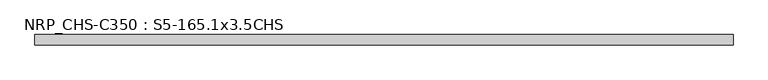
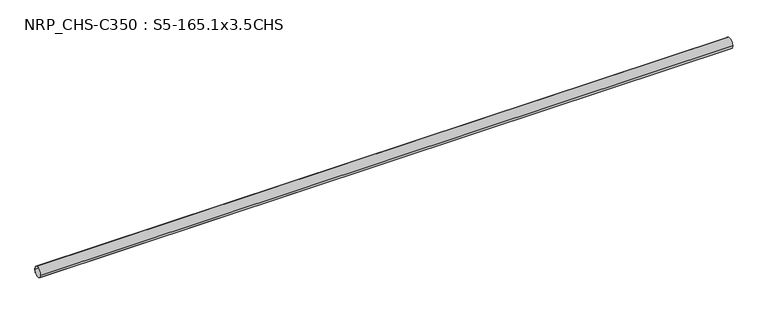
"""IFC4 building model written with IfcOpenShell, lengths in millimetres: beam geometry, NRP_CHS-C350 : S5-165.1x3.5CHS."""

from ifc_helpers import new_model, si_unit, point, frame, origin, origin_2d, place, context, project, spatial, circle_curve, trimmed, segment, composite_curve, outline, extrude, source, transform, mapped, element, save


def nrp_chs_c350_s5_165_1x3_5chs_3333b5dc(model_context):
    return source(origin(), model_context, "Body", "SweptSolid", [
        extrude(outline(composite_curve([segment(trimmed(circle_curve(origin_2d(), 82.55), [point((82.55, 0.0))], [point((-82.55, 0.0))], False, "CARTESIAN"), True, "CONTINUOUS"), segment(trimmed(circle_curve(origin_2d(), 82.55), [point((-82.55, 0.0))], [point((82.55, 0.0))], False, "CARTESIAN"), True, "CONTINUOUS")], self_intersect=False), holes=[composite_curve([segment(trimmed(circle_curve(origin_2d(), 79.05), [point((-79.05, 0.0))], [point((79.05, 0.0))], True, "CARTESIAN"), True, "CONTINUOUS"), segment(trimmed(circle_curve(origin_2d(), 79.05), [point((79.05, 0.0))], [point((-79.05, 0.0))], True, "CARTESIAN"), True, "CONTINUOUS")], self_intersect=False)]), frame((-5417.2, 0.0, 0.0), z_axis=(1.0, 0.0, 0.0), x_axis=(0.0, 1.0, 0.0)), (0.0, 0.0, 1.0), 10962.7),
    ])


if __name__ == "__main__":
    model = new_model("IFC4")
    model_context = context("Model", 3, world=origin())
    ifc_project = project(units=[si_unit("LENGTHUNIT", "METRE", prefix="MILLI")], contexts=[model_context])
    site = spatial("IfcSite", under=ifc_project)
    building = spatial("IfcBuilding", under=site)
    placement = place(None, origin())
    nrp_chs_c350_s5_165_1x3_5chs_shape = nrp_chs_c350_s5_165_1x3_5chs_3333b5dc(model_context)
    element("IfcBeam", 1, ObjectType="NRP_CHS-C350 : S5-165.1x3.5CHS", at=placement, inside=building, context=model_context, shape_type="MappedRepresentation", body=[
        mapped(nrp_chs_c350_s5_165_1x3_5chs_shape, transform((0.0, 0.0, 0.0), x_axis=(1.0, 0.0, 0.0), y_axis=(0.0, 1.0, 0.0), z_axis=(0.0, 0.0, 1.0))),
    ])
    save(model, "model.ifc")
